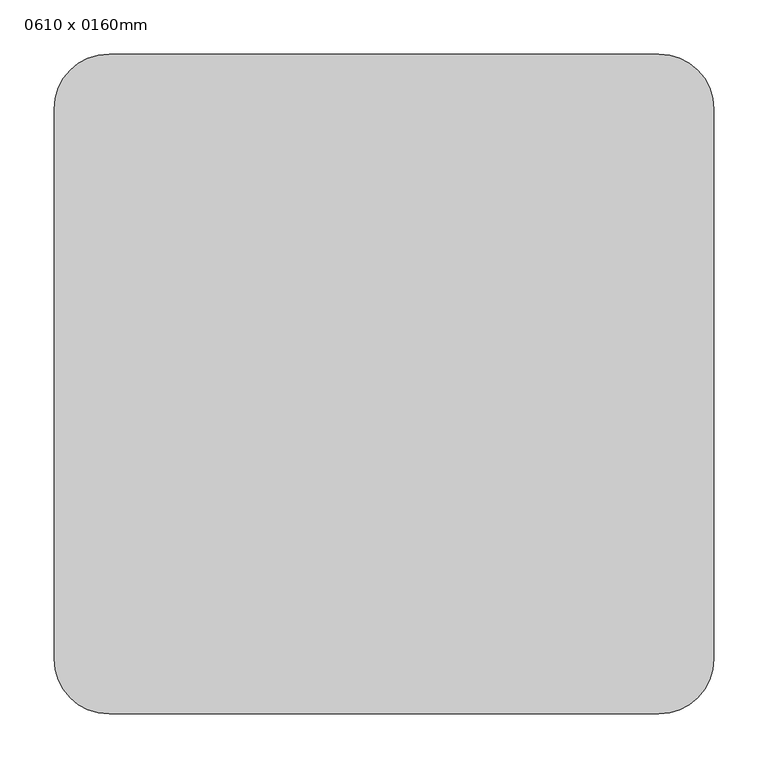
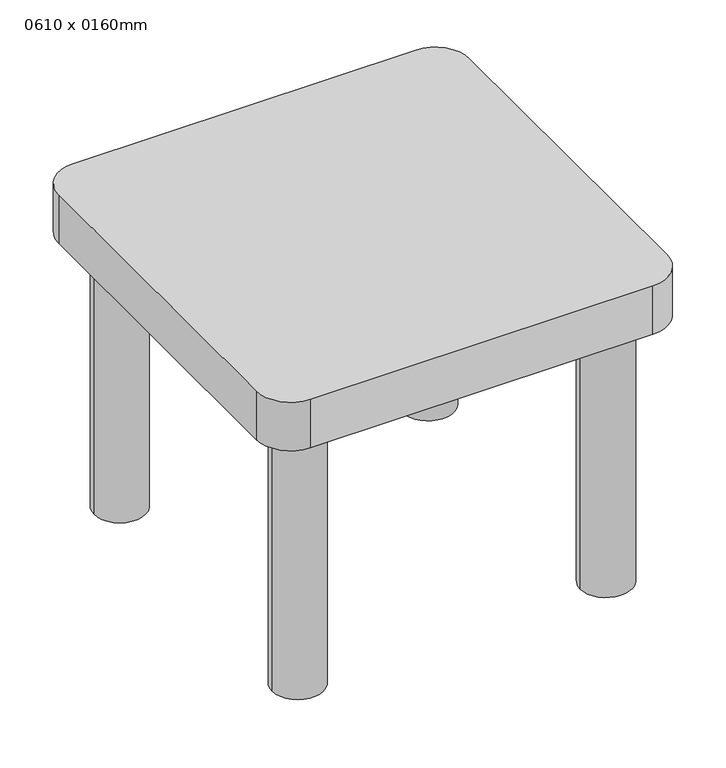
"""IFC4 building model written with IfcOpenShell, lengths in millimetres: furniture geometry, 0610 x 0160mm."""

from ifc_helpers import new_model, si_unit, point, frame, frame_2d, origin, origin_with_axes, place, context, project, spatial, polyline, circle_curve, trimmed, segment, composite_curve, outline, extrude, source, transform, mapped, element, save


def furniture_0610_x_0160mm_32f7f8ea(model_context):
    return source(origin(), model_context, "Body", "SweptSolid", [
        extrude(outline(composite_curve([segment(polyline([(562.9336303, -152.6), (54.5336303, -152.6)]), True, "CONTINUOUS"), segment(trimmed(circle_curve(frame_2d((54.5336303, -101.8)), 50.8), [point((54.5336303, -152.6))], [point((3.7336303, -101.8))], False, "CARTESIAN"), True, "CONTINUOUS"), segment(polyline([(3.7336303, -101.8), (3.7336303, 406.6)]), True, "CONTINUOUS"), segment(trimmed(circle_curve(frame_2d((54.5336303, 406.6)), 50.8), [point((3.7336303, 406.6))], [point((54.5336303, 457.4))], False, "CARTESIAN"), True, "CONTINUOUS"), segment(polyline([(54.5336303, 457.4), (562.9336303, 457.4)]), True, "CONTINUOUS"), segment(trimmed(circle_curve(frame_2d((562.9336303, 406.6)), 50.8), [point((562.9336303, 457.4))], [point((613.7336303, 406.6))], False, "CARTESIAN"), True, "CONTINUOUS"), segment(polyline([(613.7336303, 406.6), (613.7336303, -101.8)]), True, "CONTINUOUS"), segment(trimmed(circle_curve(frame_2d((562.9336303, -101.8)), 50.8), [point((613.7336303, -101.8))], [point((562.9336303, -152.6))], False, "CARTESIAN"), True, "CONTINUOUS")], self_intersect=False)), frame((0.0, 0.0, 423.8), z_axis=(0.0, 0.0, 1.0), x_axis=(1.0, 0.0, 0.0)), (0.0, 0.0, 1.0), 76.2),
        extrude(outline(composite_curve([segment(trimmed(circle_curve(frame_2d((79.9336303, 381.2)), 38.1), [point((41.8336303, 381.2))], [point((118.0336303, 381.2))], False, "CARTESIAN"), True, "CONTINUOUS"), segment(trimmed(circle_curve(frame_2d((79.9336303, 381.2)), 38.1), [point((118.0336303, 381.2))], [point((41.8336303, 381.2))], False, "CARTESIAN"), True, "CONTINUOUS")], self_intersect=False)), origin_with_axes(), (0.0, 0.0, 1.0), 423.8),
        extrude(outline(composite_curve([segment(trimmed(circle_curve(frame_2d((79.9336303, -76.4)), 38.1), [point((41.8336303, -76.4))], [point((118.0336303, -76.4))], False, "CARTESIAN"), True, "CONTINUOUS"), segment(trimmed(circle_curve(frame_2d((79.9336303, -76.4)), 38.1), [point((118.0336303, -76.4))], [point((41.8336303, -76.4))], False, "CARTESIAN"), True, "CONTINUOUS")], self_intersect=False)), origin_with_axes(), (0.0, 0.0, 1.0), 423.8),
        extrude(outline(composite_curve([segment(trimmed(circle_curve(frame_2d((537.5336303, -76.4)), 38.1), [point((499.4336303, -76.4))], [point((575.6336303, -76.4))], False, "CARTESIAN"), True, "CONTINUOUS"), segment(trimmed(circle_curve(frame_2d((537.5336303, -76.4)), 38.1), [point((575.6336303, -76.4))], [point((499.4336303, -76.4))], False, "CARTESIAN"), True, "CONTINUOUS")], self_intersect=False)), origin_with_axes(), (0.0, 0.0, 1.0), 423.8),
        extrude(outline(composite_curve([segment(trimmed(circle_curve(frame_2d((537.5336303, 381.2)), 38.1), [point((499.4336303, 381.2))], [point((575.6336303, 381.2))], False, "CARTESIAN"), True, "CONTINUOUS"), segment(trimmed(circle_curve(frame_2d((537.5336303, 381.2)), 38.1), [point((575.6336303, 381.2))], [point((499.4336303, 381.2))], False, "CARTESIAN"), True, "CONTINUOUS")], self_intersect=False)), origin_with_axes(), (0.0, 0.0, 1.0), 423.8),
    ])


if __name__ == "__main__":
    model = new_model("IFC4")
    model_context = context("Model", 3, world=origin())
    ifc_project = project(units=[si_unit("LENGTHUNIT", "METRE", prefix="MILLI")], contexts=[model_context])
    site = spatial("IfcSite", under=ifc_project)
    building = spatial("IfcBuilding", under=site)
    placement = place(None, origin())
    furniture_0610_x_0160mm_shape = furniture_0610_x_0160mm_32f7f8ea(model_context)
    element("IfcFurniture", 1, ObjectType="0610 x 0160mm", at=placement, inside=building, context=model_context, shape_type="MappedRepresentation", body=[
        mapped(furniture_0610_x_0160mm_shape, transform((0.0, 0.0, 0.0), x_axis=(1.0, 0.0, 0.0), y_axis=(0.0, 1.0, 0.0), z_axis=(0.0, 0.0, 1.0))),
    ])
    save(model, "model.ifc")
